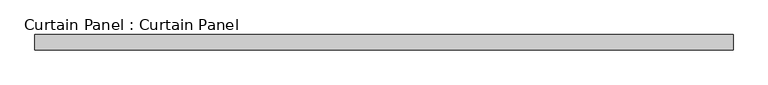
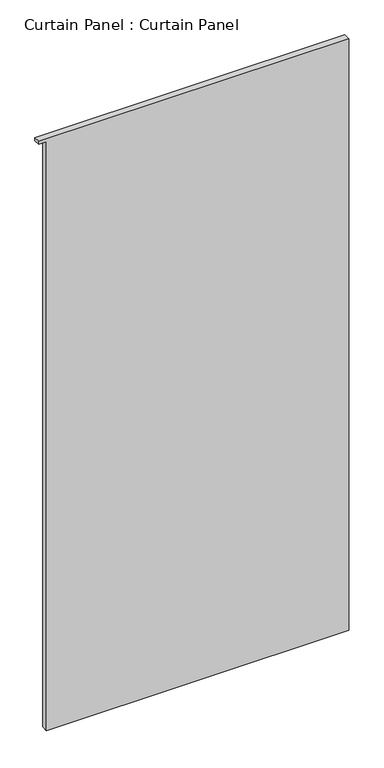
"""IFC4 building model written with IfcOpenShell, lengths in millimetres: plate geometry, Curtain Panel : Curtain Panel."""

from ifc_helpers import new_model, si_unit, frame, origin, place, context, project, spatial, polyline, outline, extrude, source, transform, mapped, element, save


def curtain_panel_curtain_panel_9907ab5d(model_context):
    return source(origin(), model_context, "Body", "SweptSolid", [
        extrude(outline(polyline([(-3582.9871498, -253330.4649652), (-1236.6722949, -253330.4649652), (-1236.6722949, -254492.5149652), (-1248.86714, -254492.5149652), (-1248.86714, -254463.9399652), (-3582.9871498, -254463.9399652), (-3582.9871498, -253330.4649652)])), frame((0.0, -494.5574136, 0.0), z_axis=(0.0, 1.0, 0.0), x_axis=(0.0, 0.0, 1.0)), (0.0, 0.0, 1.0), 25.4),
    ])


if __name__ == "__main__":
    model = new_model("IFC4")
    model_context = context("Model", 3, world=origin())
    ifc_project = project(units=[si_unit("LENGTHUNIT", "METRE", prefix="MILLI")], contexts=[model_context])
    site = spatial("IfcSite", under=ifc_project)
    building = spatial("IfcBuilding", under=site)
    placement = place(None, origin())
    curtain_panel_curtain_panel_shape = curtain_panel_curtain_panel_9907ab5d(model_context)
    element("IfcPlate", 1, ObjectType="Curtain Panel : Curtain Panel", at=placement, inside=building, context=model_context, shape_type="MappedRepresentation", body=[
        mapped(curtain_panel_curtain_panel_shape, transform((0.0, 0.0, 0.0), x_axis=(1.0, 0.0, 0.0), y_axis=(0.0, 1.0, 0.0), z_axis=(0.0, 0.0, 1.0))),
    ])
    save(model, "model.ifc")
